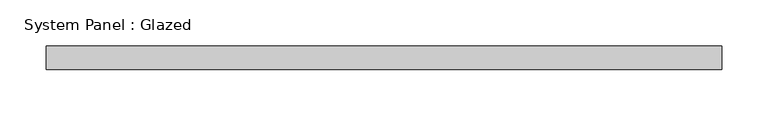
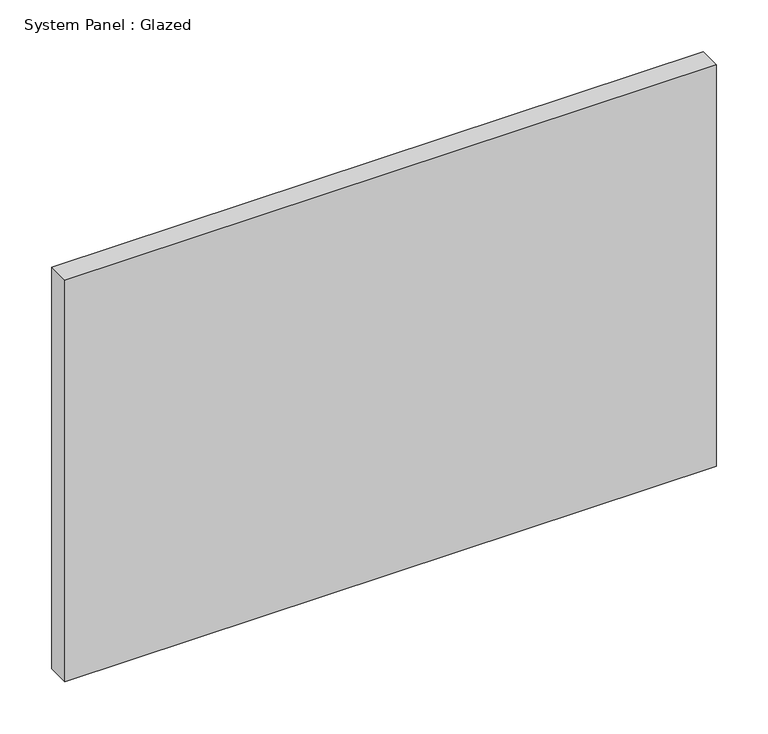
"""IFC4 building model written with IfcOpenShell, lengths in millimetres: plate geometry, System Panel : Glazed."""

from ifc_helpers import new_model, si_unit, origin, origin_with_axes, place, context, project, spatial, polyline, outline, extrude, source, transform, mapped, element, save


def system_panel_glazed_6166e47a(model_context):
    return source(origin(), model_context, "Body", "SweptSolid", [
        extrude(outline(polyline([(363.6722104, -44.45), (-363.6722104, -44.45), (-363.6722104, -19.05), (363.6722104, -19.05), (363.6722104, -44.45)])), origin_with_axes(), (0.0, 0.0, 1.0), 473.71),
    ])


if __name__ == "__main__":
    model = new_model("IFC4")
    model_context = context("Model", 3, world=origin())
    ifc_project = project(units=[si_unit("LENGTHUNIT", "METRE", prefix="MILLI")], contexts=[model_context])
    site = spatial("IfcSite", under=ifc_project)
    building = spatial("IfcBuilding", under=site)
    placement = place(None, origin())
    system_panel_glazed_shape = system_panel_glazed_6166e47a(model_context)
    element("IfcPlate", 1, ObjectType="System Panel : Glazed", at=placement, inside=building, context=model_context, shape_type="MappedRepresentation", body=[
        mapped(system_panel_glazed_shape, transform((0.0, 0.0, 0.0), x_axis=(1.0, 0.0, 0.0), y_axis=(0.0, 1.0, 0.0), z_axis=(0.0, 0.0, 1.0))),
    ])
    save(model, "model.ifc")
